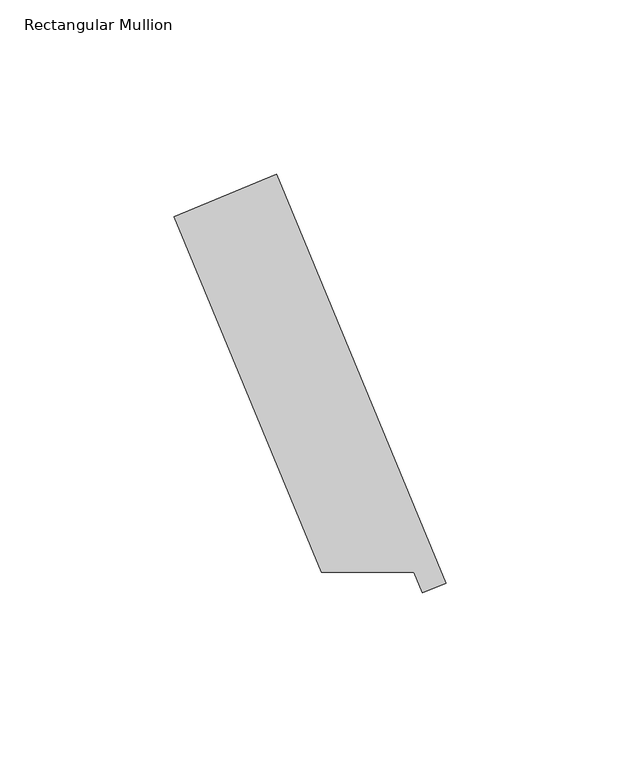
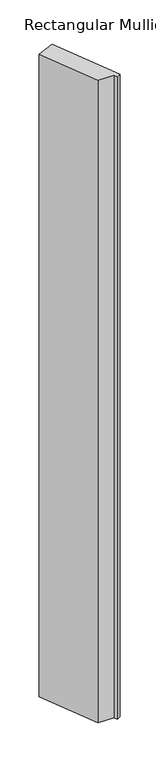
"""IFC4 building model written with IfcOpenShell, lengths in millimetres: member geometry, Rectangular Mullion."""

from ifc_helpers import new_model, si_unit, frame, origin, place, context, project, spatial, polyline, outline, extrude, source, transform, mapped, element, save


def rectangular_mullion_68c72835(model_context):
    return source(origin(), model_context, "Body", "SweptSolid", [
        extrude(outline(polyline([(-11.8743633, 29.3725968), (-18.5138847, 26.622417), (-20.9665811, 32.54375), (-47.5538503, 32.54375), (-89.7782218, 134.4824003), (-60.4450466, 146.6325993), (-11.8743633, 29.3725968)])), frame((0.0, 0.0, -1155.7000001), z_axis=(0.0, 0.0, 1.0), x_axis=(1.0, 0.0, 0.0)), (0.0, 0.0, 1.0), 1155.7000001),
    ])


if __name__ == "__main__":
    model = new_model("IFC4")
    model_context = context("Model", 3, world=origin())
    ifc_project = project(units=[si_unit("LENGTHUNIT", "METRE", prefix="MILLI")], contexts=[model_context])
    site = spatial("IfcSite", under=ifc_project)
    building = spatial("IfcBuilding", under=site)
    placement = place(None, origin())
    rectangular_mullion_shape = rectangular_mullion_68c72835(model_context)
    element("IfcMember", 1, ObjectType="Rectangular Mullion", at=placement, inside=building, context=model_context, shape_type="MappedRepresentation", body=[
        mapped(rectangular_mullion_shape, transform((0.0, 0.0, 0.0), x_axis=(1.0, 0.0, 0.0), y_axis=(0.0, 1.0, 0.0), z_axis=(0.0, 0.0, 1.0))),
    ])
    save(model, "model.ifc")
